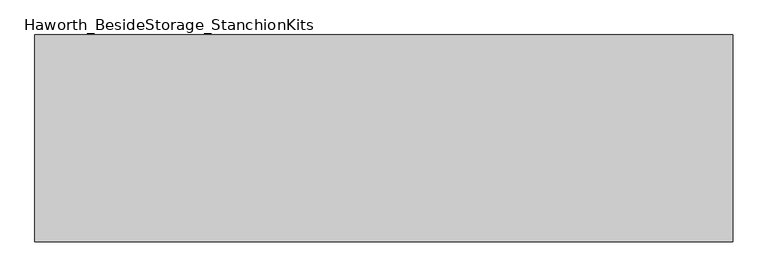
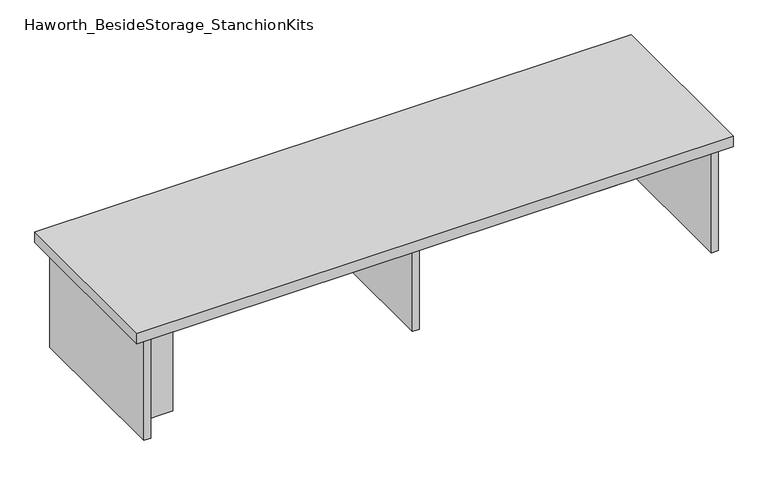
"""IFC4 building model written with IfcOpenShell, lengths in millimetres: furniture geometry, Haworth_BesideStorage_StanchionKits."""

from ifc_helpers import new_model, si_unit, frame, origin, place, context, project, spatial, polyline, outline, extrude, source, transform, mapped, element, save


def haworth_besidestorage_stanchionkits_c996f434(model_context):
    return source(origin(), model_context, "Body", "SweptSolid", [
        extrude(outline(polyline([(847.725, 0.0), (847.725, -406.4), (-523.875, -406.4), (-523.875, 0.0), (847.725, 0.0)])), frame((0.0, 0.0, 685.8), z_axis=(0.0, 0.0, 1.0), x_axis=(1.0, 0.0, 0.0)), (0.0, 0.0, 1.0), 25.4),
        extrude(outline(polyline([(720.725, -76.2), (806.45, -76.2), (806.45, -92.075), (720.725, -92.075), (720.725, -76.2)])), frame((0.0, 0.0, 431.8), z_axis=(0.0, 0.0, 1.0), x_axis=(1.0, 0.0, 0.0)), (0.0, 0.0, 1.0), 254.0),
        extrude(outline(polyline([(-396.875, -314.325), (-396.875, -330.2), (-482.6, -330.2), (-482.6, -314.325), (-396.875, -314.325)])), frame((0.0, 0.0, 431.8), z_axis=(0.0, 0.0, 1.0), x_axis=(1.0, 0.0, 0.0)), (0.0, 0.0, 1.0), 254.0),
        extrude(outline(polyline([(169.8625, -330.2), (153.9875, -330.2), (153.9875, -76.2), (169.8625, -76.2), (169.8625, -330.2)])), frame((0.0, 0.0, 431.8), z_axis=(0.0, 0.0, 1.0), x_axis=(1.0, 0.0, 0.0)), (0.0, 0.0, 1.0), 254.0),
        extrude(outline(polyline([(822.325, -390.525), (806.45, -390.525), (806.45, -15.875), (822.325, -15.875), (822.325, -390.525)])), frame((0.0, 0.0, 431.8), z_axis=(0.0, 0.0, 1.0), x_axis=(1.0, 0.0, 0.0)), (0.0, 0.0, 1.0), 254.0),
        extrude(outline(polyline([(-482.6, -390.525), (-498.475, -390.525), (-498.475, -15.875), (-482.6, -15.875), (-482.6, -390.525)])), frame((0.0, 0.0, 431.8), z_axis=(0.0, 0.0, 1.0), x_axis=(1.0, 0.0, 0.0)), (0.0, 0.0, 1.0), 254.0),
    ])


if __name__ == "__main__":
    model = new_model("IFC4")
    model_context = context("Model", 3, world=origin())
    ifc_project = project(units=[si_unit("LENGTHUNIT", "METRE", prefix="MILLI")], contexts=[model_context])
    site = spatial("IfcSite", under=ifc_project)
    building = spatial("IfcBuilding", under=site)
    placement = place(None, origin())
    haworth_besidestorage_stanchionkits_shape = haworth_besidestorage_stanchionkits_c996f434(model_context)
    element("IfcFurniture", 1, ObjectType="Haworth_BesideStorage_StanchionKits", at=placement, inside=building, context=model_context, shape_type="MappedRepresentation", body=[
        mapped(haworth_besidestorage_stanchionkits_shape, transform((0.0, 0.0, 0.0), x_axis=(1.0, 0.0, 0.0), y_axis=(0.0, 1.0, 0.0), z_axis=(0.0, 0.0, 1.0))),
    ])
    save(model, "model.ifc")
